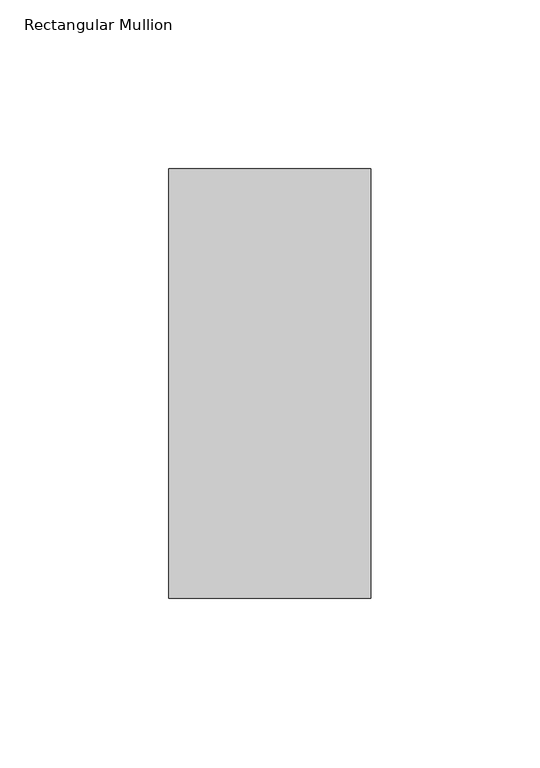
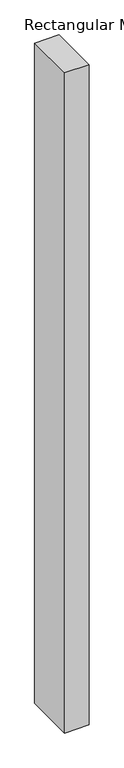
"""IFC4 building model written with IfcOpenShell, lengths in millimetres: member geometry, Rectangular Mullion."""

from ifc_helpers import new_model, si_unit, frame, origin, place, context, project, spatial, polyline, outline, extrude, source, transform, mapped, element, save


def rectangular_mullion_c68ab495(model_context):
    return source(origin(), model_context, "Body", "SweptSolid", [
        extrude(outline(polyline([(30.0, 91.73125), (30.0, -35.73125), (-30.0, -35.73125), (-30.0, 91.73125), (30.0, 91.73125)])), frame((0.0, 0.0, -1708.8912252), z_axis=(0.0, 0.0, 1.0), x_axis=(1.0, 0.0, 0.0)), (0.0, 0.0, 1.0), 1708.8912252),
    ])


if __name__ == "__main__":
    model = new_model("IFC4")
    model_context = context("Model", 3, world=origin())
    ifc_project = project(units=[si_unit("LENGTHUNIT", "METRE", prefix="MILLI")], contexts=[model_context])
    site = spatial("IfcSite", under=ifc_project)
    building = spatial("IfcBuilding", under=site)
    placement = place(None, origin())
    rectangular_mullion_shape = rectangular_mullion_c68ab495(model_context)
    element("IfcMember", 1, ObjectType="Rectangular Mullion", at=placement, inside=building, context=model_context, shape_type="MappedRepresentation", body=[
        mapped(rectangular_mullion_shape, transform((0.0, 0.0, 0.0), x_axis=(1.0, 0.0, 0.0), y_axis=(0.0, 1.0, 0.0), z_axis=(0.0, 0.0, 1.0))),
    ])
    save(model, "model.ifc")
